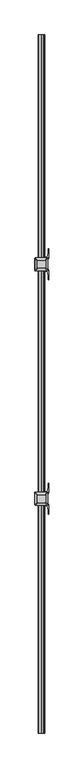
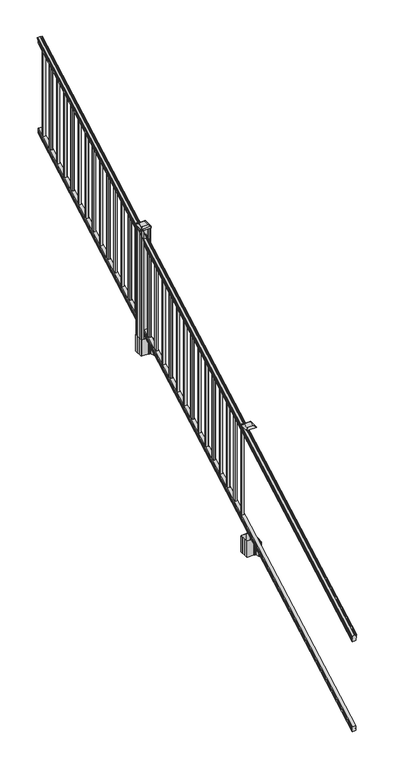
"""IFC4 building model written with IfcOpenShell, lengths in millimetres: railing geometry."""

from ifc_helpers import new_model, si_unit, point, frame, frame_2d, origin, place, context, project, spatial, polyline, circle_curve, ellipse_curve, trimmed, segment, composite_curve, outline, extrude, faceted_brep, source, transform, mapped, element, save
from ifc_brep_helpers import plane_surface, cylinder_surface, revolved_surface, extruded_surface, advanced_brep


def railing_591464fb(model_context):
    return source(origin(), model_context, "Body", "SolidModel", [
        advanced_brep(
        [(6092.4754996, -7669.8194681, 1111.1933), (6095.0493284, -7669.8194681, 1111.1933), (6095.0493284, -7669.8194681, 1099.0017677), (6094.0333284, -7669.8194681, 1097.8395054), (6094.0333284, -7669.8194681, 1083.7333333), (6125.7833284, -7669.8194681, 1083.7333333), (6125.7833284, -7669.8194681, 1098.0200397), (6124.7673284, -7669.8194681, 1099.182302), (6124.7673284, -7669.8194681, 1111.1933), (6127.3411571, -7669.8194681, 1111.1933), (6127.3411571, -7669.8194681, 1113.3531886), (6128.4713434, -7669.8194681, 1115.140347), (6128.4713434, -7669.8194681, 1123.3974153), (6127.822087, -7669.8194681, 1126.1811654), (6130.322087, -7669.8194681, 1131.1346527), (6131.7314295, -7669.8194681, 1133.0560334), (6132.1333285, -7669.8194681, 1134.3198045), (6132.1333284, -7669.8194681, 1135.8530343), (6130.5798811, -7669.8194681, 1137.6301141), (6109.9083284, -7669.8194681, 1137.6301141), (6089.2367756, -7669.8194681, 1137.6301141), (6087.6833284, -7669.8194681, 1135.8530343), (6087.6833284, -7669.8194681, 1134.3198045), (6088.0852273, -7669.8194681, 1133.0560334), (6089.4945697, -7669.8194681, 1131.1346527), (6091.9945697, -7669.8194681, 1126.1811654), (6091.3453133, -7669.8194681, 1123.3974153), (6091.3453133, -7669.8194681, 1115.140347), (6092.4754996, -7669.8194681, 1113.3531886), (6092.4754996, -2793.0194681, 3820.5266334), (6092.4754996, -2793.0194681, 3822.6865219), (6091.3453133, -2793.0194681, 3824.4736803), (6091.3453133, -2793.0194681, 3832.7307486), (6091.9945697, -2793.0194681, 3835.5144987), (6089.4945697, -2793.0194681, 3840.4679861), (6088.0852273, -2793.0194681, 3842.3893668), (6087.6833283, -2793.0194681, 3843.6531378), (6087.6833284, -2793.0194681, 3845.1863676), (6089.2367756, -2793.0194681, 3846.9634474), (6109.9083284, -2793.0194681, 3846.9634474), (6130.5798811, -2793.0194681, 3846.9634474), (6132.1333284, -2793.0194681, 3845.1863676), (6132.1333284, -2793.0194681, 3843.6531378), (6131.7314295, -2793.0194681, 3842.3893668), (6130.322087, -2793.0194681, 3840.4679861), (6127.822087, -2793.0194681, 3835.5144987), (6128.4713434, -2793.0194681, 3832.7307486), (6128.4713434, -2793.0194681, 3824.4736803), (6127.3411571, -2793.0194681, 3822.6865219), (6127.3411571, -2793.0194681, 3820.5266334), (6124.7673284, -2793.0194681, 3820.5266334), (6124.7673284, -2793.0194681, 3808.5156353), (6125.7833284, -2793.0194681, 3807.3533731), (6125.7833284, -2793.0194681, 3793.0666667), (6094.0333284, -2793.0194681, 3793.0666667), (6094.0333284, -2793.0194681, 3807.1728388), (6095.0493284, -2793.0194681, 3808.335101), (6095.0493284, -2793.0194681, 3820.5266334)],
        [
            (0, 1, ellipse_curve(frame((6093.762414, -7669.8194681, 1111.1933), z_axis=(0.0, -1.0, 0.0), x_axis=(0.0, 0.0, -1.0)), 1.4721772, 1.2869144)),
            (1, 2),
            (2, 3),
            (3, 4),
            (4, 5),
            (5, 6),
            (6, 7),
            (7, 8),
            (8, 9, ellipse_curve(frame((6126.0542427, -7669.8194681, 1111.1933), z_axis=(0.0, -1.0, 0.0), x_axis=(0.0, 0.0, -1.0)), 1.4721772, 1.2869144)),
            (9, 10),
            (10, 11, ellipse_curve(frame((6121.0264038, -7669.8194681, 1119.9403628), z_axis=(0.0, -1.0, 0.0), x_axis=(0.0, 0.0, -1.0)), 9.7762168, 8.545951)),
            (11, 12, ellipse_curve(frame((6121.4634668, -7669.8194681, 1119.2688811), z_axis=(0.0, -1.0, 0.0), x_axis=(0.0, 0.0, -1.0)), 9.0173521, 7.882584)),
            (12, 13, ellipse_curve(frame((6131.9767909, -7669.8194681, 1125.9582895), z_axis=(0.0, 1.0, 0.0), x_axis=(0.0, 0.0, 1.0)), 4.7580334, 4.1592695)),
            (13, 14, ellipse_curve(frame((6133.2640975, -7669.8194681, 1125.8892329), z_axis=(0.0, 1.0, 0.0), x_axis=(0.0, 0.0, 1.0)), 6.2322774, 5.4479907)),
            (14, 15, ellipse_curve(frame((6132.030939, -7669.8194681, 1131.1314345), z_axis=(0.0, 1.0, 0.0), x_axis=(0.0, 0.0, 1.0)), 1.9548591, 1.7088543)),
            (15, 16, ellipse_curve(frame((6130.4140389, -7669.8194681, 1134.3198045), z_axis=(0.0, -1.0, 0.0), x_axis=(0.0, 0.0, -1.0)), 1.9667965, 1.7192895)),
            (16, 17),
            (17, 18, ellipse_curve(frame((6130.5798811, -7669.8194681, 1135.8530343), z_axis=(0.0, -1.0, 0.0), x_axis=(0.0, 0.0, -1.0)), 1.7770798, 1.5534472)),
            (18, 19),
            (19, 20),
            (20, 21, ellipse_curve(frame((6089.2367756, -7669.8194681, 1135.8530343), z_axis=(0.0, -1.0, 0.0), x_axis=(0.0, 0.0, -1.0)), 1.7770798, 1.5534472)),
            (21, 22),
            (22, 23, ellipse_curve(frame((6089.4026178, -7669.8194681, 1134.3198045), z_axis=(0.0, -1.0, 0.0), x_axis=(0.0, 0.0, -1.0)), 1.9667965, 1.7192895)),
            (23, 24, ellipse_curve(frame((6087.7857177, -7669.8194681, 1131.1314345), z_axis=(0.0, 1.0, 0.0), x_axis=(0.0, 0.0, 1.0)), 1.9548591, 1.7088543)),
            (24, 25, ellipse_curve(frame((6086.5525593, -7669.8194681, 1125.8892329), z_axis=(0.0, 1.0, 0.0), x_axis=(0.0, 0.0, 1.0)), 6.2322774, 5.4479907)),
            (25, 26, ellipse_curve(frame((6087.8398658, -7669.8194681, 1125.9582895), z_axis=(0.0, 1.0, 0.0), x_axis=(0.0, 0.0, 1.0)), 4.7580334, 4.1592695)),
            (26, 27, ellipse_curve(frame((6098.35319, -7669.8194681, 1119.2688811), z_axis=(0.0, -1.0, 0.0), x_axis=(0.0, 0.0, -1.0)), 9.0173521, 7.882584)),
            (27, 28, ellipse_curve(frame((6098.7902529, -7669.8194681, 1119.9403628), z_axis=(0.0, -1.0, 0.0), x_axis=(0.0, 0.0, -1.0)), 9.7762168, 8.545951)),
            (28, 0),
            (29, 30),
            (30, 31, ellipse_curve(frame((6098.7902529, -2793.0194681, 3829.2736961), z_axis=(0.0, 1.0, 0.0), x_axis=(0.0, 0.0, -1.0)), 9.7762168, 8.545951)),
            (31, 32, ellipse_curve(frame((6098.35319, -2793.0194681, 3828.6022145), z_axis=(0.0, 1.0, 0.0), x_axis=(0.0, 0.0, -1.0)), 9.0173521, 7.882584)),
            (32, 33, ellipse_curve(frame((6087.8398658, -2793.0194681, 3835.2916228), z_axis=(0.0, -1.0, 0.0), x_axis=(0.0, 0.0, 1.0)), 4.7580334, 4.1592695)),
            (33, 34, ellipse_curve(frame((6086.5525593, -2793.0194681, 3835.2225663), z_axis=(0.0, -1.0, 0.0), x_axis=(0.0, 0.0, 1.0)), 6.2322774, 5.4479907)),
            (34, 35, ellipse_curve(frame((6087.7857177, -2793.0194681, 3840.4647678), z_axis=(0.0, -1.0, 0.0), x_axis=(0.0, 0.0, 1.0)), 1.9548591, 1.7088543)),
            (35, 36, ellipse_curve(frame((6089.4026178, -2793.0194681, 3843.6531378), z_axis=(0.0, 1.0, 0.0), x_axis=(0.0, 0.0, -1.0)), 1.9667965, 1.7192895)),
            (36, 37),
            (37, 38, ellipse_curve(frame((6089.2367756, -2793.0194681, 3845.1863676), z_axis=(0.0, 1.0, 0.0), x_axis=(0.0, 0.0, -1.0)), 1.7770798, 1.5534472)),
            (38, 39),
            (39, 40),
            (40, 41, ellipse_curve(frame((6130.5798811, -2793.0194681, 3845.1863676), z_axis=(0.0, 1.0, 0.0), x_axis=(0.0, 0.0, -1.0)), 1.7770798, 1.5534472)),
            (41, 42),
            (42, 43, ellipse_curve(frame((6130.4140389, -2793.0194681, 3843.6531378), z_axis=(0.0, 1.0, 0.0), x_axis=(0.0, 0.0, -1.0)), 1.9667965, 1.7192895)),
            (43, 44, ellipse_curve(frame((6132.030939, -2793.0194681, 3840.4647678), z_axis=(0.0, -1.0, 0.0), x_axis=(0.0, 0.0, 1.0)), 1.9548591, 1.7088543)),
            (44, 45, ellipse_curve(frame((6133.2640975, -2793.0194681, 3835.2225663), z_axis=(0.0, -1.0, 0.0), x_axis=(0.0, 0.0, 1.0)), 6.2322774, 5.4479907)),
            (45, 46, ellipse_curve(frame((6131.9767909, -2793.0194681, 3835.2916228), z_axis=(0.0, -1.0, 0.0), x_axis=(0.0, 0.0, 1.0)), 4.7580334, 4.1592695)),
            (46, 47, ellipse_curve(frame((6121.4634668, -2793.0194681, 3828.6022145), z_axis=(0.0, 1.0, 0.0), x_axis=(0.0, 0.0, -1.0)), 9.0173521, 7.882584)),
            (47, 48, ellipse_curve(frame((6121.0264038, -2793.0194681, 3829.2736961), z_axis=(0.0, 1.0, 0.0), x_axis=(0.0, 0.0, -1.0)), 9.7762168, 8.545951)),
            (48, 49),
            (49, 50, ellipse_curve(frame((6126.0542427, -2793.0194681, 3820.5266334), z_axis=(0.0, 1.0, 0.0), x_axis=(0.0, 0.0, -1.0)), 1.4721772, 1.2869144)),
            (50, 51),
            (51, 52),
            (52, 53),
            (53, 54),
            (54, 55),
            (55, 56),
            (56, 57),
            (57, 29, ellipse_curve(frame((6093.762414, -2793.0194681, 3820.5266334), z_axis=(0.0, 1.0, 0.0), x_axis=(0.0, 0.0, -1.0)), 1.4721772, 1.2869144)),
            (28, 30),
            (29, 0),
            (27, 31),
            (26, 32),
            (25, 33),
            (24, 34),
            (23, 35),
            (22, 36),
            (21, 37),
            (20, 38),
            (19, 39),
            (18, 40),
            (17, 41),
            (16, 42),
            (15, 43),
            (14, 44),
            (13, 45),
            (12, 46),
            (11, 47),
            (10, 48),
            (9, 49),
            (8, 50),
            (7, 51),
            (6, 52),
            (5, 53),
            (4, 54),
            (3, 55),
            (2, 56),
            (1, 57),
        ],
        [
            plane_surface(frame((6109.9083284, -7669.8194681, 1083.7333333), z_axis=(0.0, -1.0, 0.0), x_axis=(0.0, 0.0, 1.0))),
            plane_surface(frame((6109.9083284, -2793.0194681, 3793.0666667), z_axis=(0.0, 1.0, 0.0), x_axis=(0.0, 0.0, 1.0))),
            plane_surface(frame((6092.4754996, -7669.8194681, 1113.3531886), z_axis=(-1.0000000000000002, 0.0, 0.0), x_axis=(0.0, 0.8741572761215701, 0.485642931178574))),
            cylinder_surface(frame((6098.7902529, -7685.1903768, 1111.4009691), z_axis=(0.0, -0.8741572761215701, -0.485642931178574), x_axis=(1.0, 0.0, 0.0)), 8.545951),
            cylinder_surface(frame((6098.35319, -7684.9053139, 1110.8878557), z_axis=(0.0, -0.8741572761215701, -0.485642931178574), x_axis=(1.0, 0.0, 0.0)), 7.882584),
            revolved_surface(polyline([(6091.9991353, -2790.9995482554787, 3836.4138004798638), (6091.9991353, -7671.839387920754, 1124.8361117773575)]), (6087.8398658, -7687.745157, 1115.9995734), (0.0, 0.8741572761215701, 0.485642931178574)),
            revolved_surface(polyline([(6092.000550000001, -2790.373689958308, 3836.692443044958), (6092.000550000001, -7672.46524626981, 1124.4193562056594)]), (6086.5525593, -7687.7158406, 1115.9468038), (0.0, 0.8741572761215701, 0.485642931178574)),
            revolved_surface(polyline([(6089.494572, -2792.1895750762333, 3840.925819457222), (6089.494572, -7670.649361090565, 1130.6703827830174)]), (6087.7857177, -7689.9413035, 1119.952637), (0.0, 0.8741572761215701, 0.485642931178574)),
            cylinder_surface(frame((6089.4026178, -7691.2948568, 1122.389033), z_axis=(0.0, -0.8741572761215701, -0.485642931178574), x_axis=(1.0, 0.0, 0.0)), 1.7192895),
            plane_surface(frame((6087.6833284, -7669.8194681, 1135.8530343), z_axis=(-1.0000000000000002, 0.0, 0.0), x_axis=(0.0, 0.8741572761215701, 0.485642931178574))),
            cylinder_surface(frame((6089.2367756, -7691.9457562, 1123.560652), z_axis=(0.0, -0.8741572761215701, -0.485642931178574), x_axis=(1.0, 0.0, 0.0)), 1.5534472),
            plane_surface(frame((6109.9083284, -7669.8194681, 1137.6301141), z_axis=(0.0, -0.485642931178574, 0.8741572761215701), x_axis=(0.0, 0.8741572761215701, 0.485642931178574))),
            plane_surface(frame((6130.5798811, -7669.8194681, 1137.6301141), z_axis=(0.0, -0.485642931178574, 0.8741572761215701), x_axis=(0.0, 0.8741572761215701, 0.485642931178574))),
            cylinder_surface(frame((6130.5798811, -7691.9457562, 1123.560652), z_axis=(0.0, -0.8741572761215701, -0.485642931178574), x_axis=(-1.0, 0.0, 0.0)), 1.5534472),
            plane_surface(frame((6132.1333284, -7669.8194681, 1134.3198045), z_axis=(1.0, 0.0, 0.0), x_axis=(0.0, 0.8741572761215701, 0.48564293117857393))),
            cylinder_surface(frame((6130.4140389, -7691.2948568, 1122.389033), z_axis=(0.0, -0.8741572761215701, -0.485642931178574), x_axis=(-1.0, 0.0, 0.0)), 1.7192895),
            revolved_surface(polyline([(6130.3220847, -2792.1895750762333, 3840.925819457222), (6130.3220847, -7670.649361090565, 1130.6703827830174)]), (6132.030939, -7689.9413035, 1119.952637), (0.0, 0.8741572761215701, 0.485642931178574)),
            revolved_surface(polyline([(6127.8161068, -2790.373689958308, 3836.692443044958), (6127.8161068, -7672.46524626981, 1124.4193562056594)]), (6133.2640975, -7687.7158406, 1115.9468038), (0.0, 0.8741572761215701, 0.485642931178574)),
            revolved_surface(polyline([(6127.8175214, -2790.9995482554787, 3836.4138004798638), (6127.8175214, -7671.839387920754, 1124.8361117773575)]), (6131.9767909, -7687.745157, 1115.9995734), (0.0, 0.8741572761215701, 0.485642931178574)),
            cylinder_surface(frame((6121.4634668, -7684.9053139, 1110.8878557), z_axis=(0.0, -0.8741572761215701, -0.485642931178574), x_axis=(-1.0, 0.0, 0.0)), 7.882584),
            cylinder_surface(frame((6121.0264038, -7685.1903768, 1111.4009691), z_axis=(0.0, -0.8741572761215701, -0.485642931178574), x_axis=(-1.0, 0.0, 0.0)), 8.545951),
            plane_surface(frame((6127.3411571, -7669.8194681, 1111.1933), z_axis=(1.0, 0.0, 0.0), x_axis=(0.0, 0.8741572761215701, 0.48564293117857393))),
            cylinder_surface(frame((6126.0542427, -7681.4770011, 1104.7168928), z_axis=(0.0, -0.8741572761215701, -0.485642931178574), x_axis=(-1.0, 0.0, 0.0)), 1.2869144),
            plane_surface(frame((6124.7673284, -7669.8194681, 1099.182302), z_axis=(1.0, 0.0, 0.0), x_axis=(0.0, 0.8741572761215701, 0.48564293117857393))),
            plane_surface(frame((6125.7833284, -7669.8194681, 1098.0200397), z_axis=(0.7071067811865428, -0.34340140987168466, 0.6181225377691274), x_axis=(0.0, 0.8741572761215701, 0.48564293117857393))),
            plane_surface(frame((6125.7833284, -7669.8194681, 1083.7333333), z_axis=(1.0000000000000002, 0.0, 0.0), x_axis=(0.0, 0.8741572761215701, 0.48564293117857404))),
            plane_surface(frame((6094.0333284, -7669.8194681, 1083.7333333), z_axis=(0.0, 0.485642931178574, -0.8741572761215701), x_axis=(0.0, 0.8741572761215701, 0.485642931178574))),
            plane_surface(frame((6094.0333284, -7669.8194681, 1097.8395054), z_axis=(-1.0000000000000002, 0.0, 0.0), x_axis=(0.0, 0.8741572761215701, 0.485642931178574))),
            plane_surface(frame((6095.0493284, -7669.8194681, 1099.0017677), z_axis=(-0.7071067811865401, -0.3434014098716842, 0.6181225377691304), x_axis=(0.0, 0.8741572761215701, 0.485642931178574))),
            plane_surface(frame((6095.0493284, -7669.8194681, 1111.1933), z_axis=(-1.0, 0.0, 0.0), x_axis=(0.0, 0.8741572761215701, 0.48564293117857393))),
            cylinder_surface(frame((6093.762414, -7681.4770011, 1104.7168928), z_axis=(0.0, -0.8741572761215701, -0.485642931178574), x_axis=(1.0, 0.0, 0.0)), 1.2869144),
        ],
        [
            (0, [[1, 2, 3, 4, 5, 6, 7, 8, 9, 10, 11, 12, 13, 14, 15, 16, 17, 18, 19, 20, 21, 22, 23, 24, 25, 26, 27, 28, 29]]),
            (1, [[30, 31, 32, 33, 34, 35, 36, 37, 38, 39, 40, 41, 42, 43, 44, 45, 46, 47, 48, 49, 50, 51, 52, 53, 54, 55, 56, 57, 58]]),
            (2, [[-29, 59, -30, 60]]),
            (3, [[-28, 61, -31, -59]]),
            (4, [[-27, 62, -32, -61]]),
            (5, [[-26, 63, -33, -62]]),
            (6, [[-25, 64, -34, -63]]),
            (7, [[-24, 65, -35, -64]]),
            (8, [[-23, 66, -36, -65]]),
            (9, [[-22, 67, -37, -66]]),
            (10, [[-21, 68, -38, -67]]),
            (11, [[-20, 69, -39, -68]]),
            (12, [[-19, 70, -40, -69]]),
            (13, [[-18, 71, -41, -70]]),
            (14, [[-17, 72, -42, -71]]),
            (15, [[-16, 73, -43, -72]]),
            (16, [[-15, 74, -44, -73]]),
            (17, [[-14, 75, -45, -74]]),
            (18, [[-13, 76, -46, -75]]),
            (19, [[-12, 77, -47, -76]]),
            (20, [[-11, 78, -48, -77]]),
            (21, [[-10, 79, -49, -78]]),
            (22, [[-9, 80, -50, -79]]),
            (23, [[-8, 81, -51, -80]]),
            (24, [[-7, 82, -52, -81]]),
            (25, [[-6, 83, -53, -82]]),
            (26, [[-5, 84, -54, -83]]),
            (27, [[-4, 85, -55, -84]]),
            (28, [[-3, 86, -56, -85]]),
            (29, [[-2, 87, -57, -86]]),
            (30, [[-1, -60, -58, -87]]),
        ],
    ),
        faceted_brep([(6093.9958415, -7669.8194681, 247.1948195), (6093.9958415, -7669.8194681, 232.8333333), (6125.7458415, -7669.8194681, 232.8333333), (6125.7458415, -7669.8194681, 247.1757762), (6124.7298415, -7669.8194681, 248.7181503), (6124.7298415, -7669.8194681, 260.5143074), (6125.7458415, -7669.8194681, 262.0566814), (6125.7458415, -7669.8194681, 276.4134523), (6093.9958415, -7669.8194681, 276.4134523), (6093.9958415, -7669.8194681, 262.0757247), (6095.0118415, -7669.8194681, 260.5333506), (6095.0118415, -7669.8194681, 248.6824473), (6093.9958415, -2793.0194681, 2956.5281528), (6095.0118415, -2793.0194681, 2958.0157807), (6095.0118415, -2793.0194681, 2969.8666839), (6093.9958415, -2793.0194681, 2971.409058), (6093.9958415, -2793.0194681, 2985.7467856), (6125.7458415, -2793.0194681, 2985.7467856), (6125.7458415, -2793.0194681, 2971.3900148), (6124.7298415, -2793.0194681, 2969.8476407), (6124.7298415, -2793.0194681, 2958.0514837), (6125.7458415, -2793.0194681, 2956.5091096), (6125.7458415, -2793.0194681, 2942.1666667), (6093.9958415, -2793.0194681, 2942.1666667)], [[[0, 1, 2, 3, 4, 5, 6, 7, 8, 9, 10, 11]], [[12, 13, 14, 15, 16, 17, 18, 19, 20, 21, 22, 23]], [[0, 11, 13, 12]], [[11, 10, 14, 13]], [[10, 9, 15, 14]], [[9, 8, 16, 15]], [[8, 7, 17, 16]], [[7, 6, 18, 17]], [[6, 5, 19, 18]], [[5, 4, 20, 19]], [[4, 3, 21, 20]], [[3, 2, 22, 21]], [[2, 1, 23, 22]], [[1, 0, 12, 23]]]),
        extrude(outline(polyline([(6100.3833284, -2862.9964681), (6100.3833284, -2843.9464681), (6119.4333284, -2843.9464681), (6119.4333284, -2862.9964681), (6100.3833284, -2862.9964681)]), holes=[polyline([(6100.7802034, -2862.5995931), (6119.0364534, -2862.5995931), (6119.0364534, -2844.3433431), (6100.7802034, -2844.3433431), (6100.7802034, -2862.5995931)])]), frame((0.0, 0.0, 2946.6781003), z_axis=(0.0, 0.0, 1.0), x_axis=(1.0, 0.0, 0.0)), (0.0, 0.0, 1.0), 812.8041219),
        extrude(outline(polyline([(6100.3833284, -2974.2484681), (6100.3833284, -2955.1984681), (6119.4333284, -2955.1984681), (6119.4333284, -2974.2484681), (6100.3833284, -2974.2484681)]), holes=[polyline([(6100.7802034, -2973.8515931), (6119.0364534, -2973.8515931), (6119.0364534, -2955.5953431), (6100.7802034, -2955.5953431), (6100.7802034, -2973.8515931)])]), frame((0.0, 0.0, 2884.8714336), z_axis=(0.0, 0.0, 1.0), x_axis=(1.0, 0.0, 0.0)), (0.0, 0.0, 1.0), 812.8041219),
        extrude(outline(polyline([(6100.3833284, -3085.5004681), (6100.3833284, -3066.4504681), (6119.4333284, -3066.4504681), (6119.4333284, -3085.5004681), (6100.3833284, -3085.5004681)]), holes=[polyline([(6100.7802034, -3085.1035931), (6119.0364534, -3085.1035931), (6119.0364534, -3066.8473431), (6100.7802034, -3066.8473431), (6100.7802034, -3085.1035931)])]), frame((0.0, 0.0, 2823.064767), z_axis=(0.0, 0.0, 1.0), x_axis=(1.0, 0.0, 0.0)), (0.0, 0.0, 1.0), 812.8041219),
        extrude(outline(polyline([(6100.3833284, -3196.7524681), (6100.3833284, -3177.7024681), (6119.4333284, -3177.7024681), (6119.4333284, -3196.7524681), (6100.3833284, -3196.7524681)]), holes=[polyline([(6100.7802034, -3196.3555931), (6119.0364534, -3196.3555931), (6119.0364534, -3178.0993431), (6100.7802034, -3178.0993431), (6100.7802034, -3196.3555931)])]), frame((0.0, 0.0, 2761.2581003), z_axis=(0.0, 0.0, 1.0), x_axis=(1.0, 0.0, 0.0)), (0.0, 0.0, 1.0), 812.8041219),
        extrude(outline(polyline([(6100.3833284, -3308.0044681), (6100.3833284, -3288.9544681), (6119.4333284, -3288.9544681), (6119.4333284, -3308.0044681), (6100.3833284, -3308.0044681)]), holes=[polyline([(6100.7802034, -3307.6075931), (6119.0364534, -3307.6075931), (6119.0364534, -3289.3513431), (6100.7802034, -3289.3513431), (6100.7802034, -3307.6075931)])]), frame((0.0, 0.0, 2699.4514336), z_axis=(0.0, 0.0, 1.0), x_axis=(1.0, 0.0, 0.0)), (0.0, 0.0, 1.0), 812.8041219),
        extrude(outline(polyline([(6100.3833284, -3419.2564681), (6100.3833284, -3400.2064681), (6119.4333284, -3400.2064681), (6119.4333284, -3419.2564681), (6100.3833284, -3419.2564681)]), holes=[polyline([(6100.7802034, -3418.8595931), (6119.0364534, -3418.8595931), (6119.0364534, -3400.6033431), (6100.7802034, -3400.6033431), (6100.7802034, -3418.8595931)])]), frame((0.0, 0.0, 2637.644767), z_axis=(0.0, 0.0, 1.0), x_axis=(1.0, 0.0, 0.0)), (0.0, 0.0, 1.0), 812.8041219),
        extrude(outline(polyline([(6100.3833284, -3530.5084681), (6100.3833284, -3511.4584681), (6119.4333284, -3511.4584681), (6119.4333284, -3530.5084681), (6100.3833284, -3530.5084681)]), holes=[polyline([(6100.7802034, -3530.1115931), (6119.0364534, -3530.1115931), (6119.0364534, -3511.8553431), (6100.7802034, -3511.8553431), (6100.7802034, -3530.1115931)])]), frame((0.0, 0.0, 2575.8381003), z_axis=(0.0, 0.0, 1.0), x_axis=(1.0, 0.0, 0.0)), (0.0, 0.0, 1.0), 812.8041219),
        extrude(outline(polyline([(6100.3833284, -3641.7604681), (6100.3833284, -3622.7104681), (6119.4333284, -3622.7104681), (6119.4333284, -3641.7604681), (6100.3833284, -3641.7604681)]), holes=[polyline([(6100.7802034, -3641.3635931), (6119.0364534, -3641.3635931), (6119.0364534, -3623.1073431), (6100.7802034, -3623.1073431), (6100.7802034, -3641.3635931)])]), frame((0.0, 0.0, 2514.0314336), z_axis=(0.0, 0.0, 1.0), x_axis=(1.0, 0.0, 0.0)), (0.0, 0.0, 1.0), 812.8041219),
        extrude(outline(polyline([(6100.3833284, -3753.0124681), (6100.3833284, -3733.9624681), (6119.4333284, -3733.9624681), (6119.4333284, -3753.0124681), (6100.3833284, -3753.0124681)]), holes=[polyline([(6100.7802034, -3752.6155931), (6119.0364534, -3752.6155931), (6119.0364534, -3734.3593431), (6100.7802034, -3734.3593431), (6100.7802034, -3752.6155931)])]), frame((0.0, 0.0, 2452.224767), z_axis=(0.0, 0.0, 1.0), x_axis=(1.0, 0.0, 0.0)), (0.0, 0.0, 1.0), 812.8041219),
        extrude(outline(polyline([(6100.3833284, -3864.2644681), (6100.3833284, -3845.2144681), (6119.4333284, -3845.2144681), (6119.4333284, -3864.2644681), (6100.3833284, -3864.2644681)]), holes=[polyline([(6100.7802034, -3863.8675931), (6119.0364534, -3863.8675931), (6119.0364534, -3845.6113431), (6100.7802034, -3845.6113431), (6100.7802034, -3863.8675931)])]), frame((0.0, 0.0, 2390.4181003), z_axis=(0.0, 0.0, 1.0), x_axis=(1.0, 0.0, 0.0)), (0.0, 0.0, 1.0), 812.8041219),
        extrude(outline(polyline([(6100.3833284, -3975.5164681), (6100.3833284, -3956.4664681), (6119.4333284, -3956.4664681), (6119.4333284, -3975.5164681), (6100.3833284, -3975.5164681)]), holes=[polyline([(6100.7802034, -3975.1195931), (6119.0364534, -3975.1195931), (6119.0364534, -3956.8633431), (6100.7802034, -3956.8633431), (6100.7802034, -3975.1195931)])]), frame((0.0, 0.0, 2328.6114336), z_axis=(0.0, 0.0, 1.0), x_axis=(1.0, 0.0, 0.0)), (0.0, 0.0, 1.0), 812.8041219),
        extrude(outline(polyline([(6100.3833284, -4086.7684681), (6100.3833284, -4067.7184681), (6119.4333284, -4067.7184681), (6119.4333284, -4086.7684681), (6100.3833284, -4086.7684681)]), holes=[polyline([(6100.7802034, -4086.3715931), (6119.0364534, -4086.3715931), (6119.0364534, -4068.1153431), (6100.7802034, -4068.1153431), (6100.7802034, -4086.3715931)])]), frame((0.0, 0.0, 2266.804767), z_axis=(0.0, 0.0, 1.0), x_axis=(1.0, 0.0, 0.0)), (0.0, 0.0, 1.0), 812.8041219),
        extrude(outline(polyline([(6100.3833284, -4198.0204681), (6100.3833284, -4178.9704681), (6119.4333284, -4178.9704681), (6119.4333284, -4198.0204681), (6100.3833284, -4198.0204681)]), holes=[polyline([(6100.7802034, -4197.6235931), (6119.0364534, -4197.6235931), (6119.0364534, -4179.3673431), (6100.7802034, -4179.3673431), (6100.7802034, -4197.6235931)])]), frame((0.0, 0.0, 2204.9981003), z_axis=(0.0, 0.0, 1.0), x_axis=(1.0, 0.0, 0.0)), (0.0, 0.0, 1.0), 812.8041219),
        extrude(outline(polyline([(6100.3833284, -4309.2724681), (6100.3833284, -4290.2224681), (6119.4333284, -4290.2224681), (6119.4333284, -4309.2724681), (6100.3833284, -4309.2724681)]), holes=[polyline([(6100.7802034, -4308.8755931), (6119.0364534, -4308.8755931), (6119.0364534, -4290.6193431), (6100.7802034, -4290.6193431), (6100.7802034, -4308.8755931)])]), frame((0.0, 0.0, 2143.1914336), z_axis=(0.0, 0.0, 1.0), x_axis=(1.0, 0.0, 0.0)), (0.0, 0.0, 1.0), 812.8041219),
        extrude(outline(composite_curve([segment(polyline([(6067.1728284, -4412.637563), (6067.1728284, -4377.8653732), (6065.5853284, -4377.1033732), (6065.5853284, -4354.3014452), (6068.9583054, -4350.9284681), (6130.4179763, -4350.9284681), (6130.4179763, -4350.0077181), (6135.7355201, -4350.0077181), (6135.7355201, -4348.5534634), (6140.8200498, -4348.5534634), (6140.8200498, -4347.2694396), (6142.4873221, -4347.2694396)]), True, "CONTINUOUS"), segment(trimmed(circle_curve(frame_2d((6142.4873221, -4340.2099797)), 7.0594599), [point((6142.4873221, -4347.2694396))], [point((6149.2545849, -4342.2199864))], True, "CARTESIAN"), True, "CONTINUOUS"), segment(polyline([(6149.2545849, -4342.2199864), (6157.1287792, -4315.7092573)]), True, "CONTINUOUS"), segment(trimmed(circle_curve(frame_2d((6102.3442659, -4299.4372076)), 57.15), [point((6157.1287792, -4315.7092573))], [point((6159.4942659, -4299.4372076))], True, "CARTESIAN"), True, "CONTINUOUS"), segment(polyline([(6159.4942659, -4299.4372076), (6159.4942659, -4287.4284681), (6162.4942659, -4287.4284681), (6162.4942659, -4352.5159681), (6154.2313284, -4363.8542594), (6154.2313284, -4377.1033732), (6152.6438284, -4377.8653732), (6152.6438284, -4412.637563), (6154.2313284, -4413.399563), (6154.2313284, -4426.6486768), (6162.4942659, -4437.9869681), (6162.4942659, -4503.0744681), (6159.4942659, -4503.0744681), (6159.4942659, -4491.0657285)]), True, "CONTINUOUS"), segment(trimmed(circle_curve(frame_2d((6102.3442659, -4491.0657285)), 57.15), [point((6159.4942659, -4491.0657285))], [point((6157.1287792, -4474.7936789))], True, "CARTESIAN"), True, "CONTINUOUS"), segment(polyline([(6157.1287792, -4474.7936789), (6149.2545849, -4448.2829498)]), True, "CONTINUOUS"), segment(trimmed(circle_curve(frame_2d((6142.4873221, -4450.2929565)), 7.0594599), [point((6149.2545849, -4448.2829498))], [point((6142.4873221, -4443.2334966))], True, "CARTESIAN"), True, "CONTINUOUS"), segment(polyline([(6142.4873221, -4443.2334966), (6140.8200498, -4443.2334966), (6140.8200498, -4441.9494728), (6135.7355201, -4441.9494728), (6135.7355201, -4440.4952181), (6130.4179763, -4440.4952181), (6130.4179763, -4439.5744681), (6068.9583054, -4439.5744681), (6065.5853284, -4436.201491), (6065.5853284, -4413.399563), (6067.1728284, -4412.637563)]), True, "CONTINUOUS")], self_intersect=False), holes=[polyline([(6151.1833284, -4355.5639681), (6149.5958284, -4353.9764681), (6112.6715458, -4353.9764681), (6070.2208284, -4353.9764681), (6068.6333284, -4355.5639681), (6068.6333284, -4434.9389681), (6070.2208284, -4436.5264681), (6112.6715458, -4436.5264681), (6149.5958284, -4436.5264681), (6151.1833284, -4434.9389681), (6151.1833284, -4355.5639681)])]), frame((0.0, 0.0, 1836.1377778), z_axis=(0.0, 0.0, 1.0), x_axis=(1.0, 0.0, 0.0)), (0.0, 0.0, 1.0), 152.4),
        advanced_brep(
        [(6135.7052034, -4424.2233431, 3048.4770408), (6138.8802034, -4421.0483431, 3048.4770408), (6138.8802034, -4369.4545931, 3048.4770408), (6135.7052034, -4366.2795931, 3048.4770408), (6084.1114534, -4366.2795931, 3048.4770408), (6080.9364534, -4369.4545931, 3048.4770408), (6080.9364534, -4421.0483431, 3048.4770408), (6084.1114534, -4424.2233431, 3048.4770408), (6151.9770784, -4440.4952181, 3037.1740408), (6067.8395784, -4440.4952181, 3037.1740408), (6064.6645784, -4437.3202181, 3037.1740408), (6064.6645784, -4353.1827181, 3037.1740408), (6067.8395784, -4350.0077181, 3037.1740408), (6151.9770784, -4350.0077181, 3037.1740408), (6155.1520784, -4353.1827181, 3037.1740408), (6155.1520784, -4437.3202181, 3037.1740408)],
        [
            (0, 1, circle_curve(frame((6135.7052034, -4421.0483431, 3048.4770408), z_axis=(0.0, 0.0, 1.0), x_axis=(0.0, 1.0, 0.0)), 3.175)),
            (1, 2),
            (2, 3, circle_curve(frame((6135.7052034, -4369.4545931, 3048.4770408), z_axis=(0.0, 0.0, 1.0), x_axis=(0.0, 1.0, 0.0)), 3.175)),
            (3, 4),
            (4, 5, circle_curve(frame((6084.1114534, -4369.4545931, 3048.4770408), z_axis=(0.0, 0.0, 1.0), x_axis=(0.0, 1.0, 0.0)), 3.175)),
            (5, 6),
            (6, 7, circle_curve(frame((6084.1114534, -4421.0483431, 3048.4770408), z_axis=(0.0, 0.0, 1.0), x_axis=(0.0, 1.0, 0.0)), 3.175)),
            (7, 0),
            (8, 9),
            (9, 10, circle_curve(frame((6067.8395784, -4437.3202181, 3037.1740408), z_axis=(0.0, 0.0, -1.0), x_axis=(0.0, 1.0, 0.0)), 3.175)),
            (10, 11),
            (11, 12, circle_curve(frame((6067.8395784, -4353.1827181, 3037.1740408), z_axis=(0.0, 0.0, -1.0), x_axis=(0.0, 1.0, 0.0)), 3.175)),
            (12, 13),
            (13, 14, circle_curve(frame((6151.9770784, -4353.1827181, 3037.1740408), z_axis=(0.0, 0.0, -1.0), x_axis=(0.0, 1.0, 0.0)), 3.175)),
            (14, 15),
            (15, 8, circle_curve(frame((6151.9770784, -4437.3202181, 3037.1740408), z_axis=(0.0, 0.0, -1.0), x_axis=(0.0, 1.0, 0.0)), 3.175)),
            (15, 1),
            (0, 8),
            (14, 2),
            (13, 3),
            (12, 4),
            (11, 5),
            (10, 6),
            (9, 7),
        ],
        [
            plane_surface(frame((6109.9083284, -4395.2514681, 3048.4770408), z_axis=(0.0, 0.0, 1.0), x_axis=(1.0, 0.0, 0.0))),
            plane_surface(frame((6109.9083284, -4395.2514681, 3037.1740408), z_axis=(0.0, 0.0, -1.0), x_axis=(1.0, 0.0, 0.0))),
            extruded_surface(trimmed(circle_curve(frame((6151.9770784, -4437.3202181, 3037.1740408), z_axis=(0.0, 0.0, 1.0), x_axis=(0.0, 1.0, 0.0)), 3.175), [point((6151.9770784, -4440.4952181, 3037.1740408))], [point((6155.1520784, -4437.3202181, 3037.1740408))], True, "CARTESIAN"), (-16.271875000000364, 16.271874999999454, 11.302999999999884), 25.637972638865996),
            plane_surface(frame((6155.1520784, -4395.2514681, 3037.1740408), z_axis=(0.5705009161540778, 0.0, 0.8212969649690408), x_axis=(0.0, 1.0, 0.0))),
            extruded_surface(trimmed(circle_curve(frame((6151.9770784, -4353.1827181, 3037.1740408), z_axis=(0.0, 0.0, 1.0), x_axis=(0.0, 1.0, 0.0)), 3.175), [point((6155.1520784, -4353.1827181, 3037.1740408))], [point((6151.9770784, -4350.0077181, 3037.1740408))], True, "CARTESIAN"), (-16.271875000000364, -16.271875000000364, 11.302999999999884), 25.63797263886657),
            plane_surface(frame((6109.9083284, -4350.0077181, 3037.1740408), z_axis=(0.0, 0.5705009161540291, 0.8212969649690747), x_axis=(-1.0, 0.0, 0.0))),
            extruded_surface(trimmed(circle_curve(frame((6067.8395784, -4353.1827181, 3037.1740408), z_axis=(0.0, 0.0, 1.0), x_axis=(0.0, 1.0, 0.0)), 3.175), [point((6067.8395784, -4350.0077181, 3037.1740408))], [point((6064.6645784, -4353.1827181, 3037.1740408))], True, "CARTESIAN"), (16.271874999999454, -16.271875000000364, 11.302999999999884), 25.637972638865996),
            plane_surface(frame((6064.6645784, -4395.2514681, 3037.1740408), z_axis=(-0.5705009161540142, 0.0, 0.8212969649690851), x_axis=(0.0, -1.0, 0.0))),
            extruded_surface(trimmed(circle_curve(frame((6067.8395784, -4437.3202181, 3037.1740408), z_axis=(0.0, 0.0, 1.0), x_axis=(0.0, 1.0, 0.0)), 3.175), [point((6064.6645784, -4437.3202181, 3037.1740408))], [point((6067.8395784, -4440.4952181, 3037.1740408))], True, "CARTESIAN"), (16.271874999999454, 16.271874999999454, 11.302999999999884), 25.63797263886542),
            plane_surface(frame((6109.9083284, -4440.4952181, 3037.1740408), z_axis=(0.0, -0.570500916154034, 0.8212969649690713), x_axis=(1.0, 0.0, 0.0))),
        ],
        [
            (0, [[1, 2, 3, 4, 5, 6, 7, 8]]),
            (1, [[9, 10, 11, 12, 13, 14, 15, 16]]),
            (2, [[-16, 17, -1, 18]]),
            (3, [[-15, 19, -2, -17]]),
            (4, [[-14, 20, -3, -19]]),
            (5, [[-13, 21, -4, -20]]),
            (6, [[-12, 22, -5, -21]]),
            (7, [[-11, 23, -6, -22]]),
            (8, [[-10, 24, -7, -23]]),
            (9, [[-9, -18, -8, -24]]),
        ],
    ),
        extrude(outline(composite_curve([segment(polyline([(6151.9770784, -4440.4952181), (6067.8395784, -4440.4952181)]), True, "CONTINUOUS"), segment(trimmed(circle_curve(frame_2d((6067.8395784, -4437.3202181)), 3.175), [point((6067.8395784, -4440.4952181))], [point((6064.6645784, -4437.3202181))], False, "CARTESIAN"), True, "CONTINUOUS"), segment(polyline([(6064.6645784, -4437.3202181), (6064.6645784, -4353.1827181)]), True, "CONTINUOUS"), segment(trimmed(circle_curve(frame_2d((6067.8395784, -4353.1827181)), 3.175), [point((6064.6645784, -4353.1827181))], [point((6067.8395784, -4350.0077181))], False, "CARTESIAN"), True, "CONTINUOUS"), segment(polyline([(6067.8395784, -4350.0077181), (6151.9770784, -4350.0077181)]), True, "CONTINUOUS"), segment(trimmed(circle_curve(frame_2d((6151.9770784, -4353.1827181)), 3.175), [point((6151.9770784, -4350.0077181))], [point((6155.1520784, -4353.1827181))], False, "CARTESIAN"), True, "CONTINUOUS"), segment(polyline([(6155.1520784, -4353.1827181), (6155.1520784, -4437.3202181)]), True, "CONTINUOUS"), segment(trimmed(circle_curve(frame_2d((6151.9770784, -4437.3202181)), 3.175), [point((6155.1520784, -4437.3202181))], [point((6151.9770784, -4440.4952181))], False, "CARTESIAN"), True, "CONTINUOUS")], self_intersect=False)), frame((0.0, 0.0, 3019.9020408), z_axis=(0.0, 0.0, 1.0), x_axis=(1.0, 0.0, 0.0)), (0.0, 0.0, 1.0), 17.272),
        extrude(outline(polyline([(6149.5958284, -4436.5264681), (6129.9743284, -4436.5264681), (6129.2123284, -4434.9389681), (6090.6043284, -4434.9389681), (6089.8423284, -4436.5264681), (6070.2208284, -4436.5264681), (6068.6333284, -4434.9389681), (6068.6333284, -4415.3174681), (6070.2208284, -4414.5554681), (6070.2208284, -4375.9474681), (6068.6333284, -4375.1854681), (6068.6333284, -4355.5639681), (6070.2208284, -4353.9764681), (6089.8423284, -4353.9764681), (6090.6043284, -4355.5639681), (6129.2123284, -4355.5639681), (6129.9743284, -4353.9764681), (6149.5958284, -4353.9764681), (6151.1833284, -4355.5639681), (6151.1833284, -4375.1854681), (6149.5958284, -4375.9474681), (6149.5958284, -4414.5554681), (6151.1833284, -4415.3174681), (6151.1833284, -4434.9389681), (6149.5958284, -4436.5264681)])), frame((0.0, 0.0, 1988.5377778), z_axis=(0.0, 0.0, 1.0), x_axis=(1.0, 0.0, 0.0)), (0.0, 0.0, 1.0), 1031.364263),
        extrude(outline(polyline([(6100.3833284, -4500.2804681), (6100.3833284, -4481.2304681), (6119.4333284, -4481.2304681), (6119.4333284, -4500.2804681), (6100.3833284, -4500.2804681)]), holes=[polyline([(6100.7802034, -4499.8835931), (6119.0364534, -4499.8835931), (6119.0364534, -4481.6273431), (6100.7802034, -4481.6273431), (6100.7802034, -4499.8835931)])]), frame((0.0, 0.0, 2037.0758781), z_axis=(0.0, 0.0, 1.0), x_axis=(1.0, 0.0, 0.0)), (0.0, 0.0, 1.0), 812.8041219),
        extrude(outline(polyline([(6100.3833284, -4611.5324681), (6100.3833284, -4592.4824681), (6119.4333284, -4592.4824681), (6119.4333284, -4611.5324681), (6100.3833284, -4611.5324681)]), holes=[polyline([(6100.7802034, -4611.1355931), (6119.0364534, -4611.1355931), (6119.0364534, -4592.8793431), (6100.7802034, -4592.8793431), (6100.7802034, -4611.1355931)])]), frame((0.0, 0.0, 1975.2692114), z_axis=(0.0, 0.0, 1.0), x_axis=(1.0, 0.0, 0.0)), (0.0, 0.0, 1.0), 812.8041219),
        extrude(outline(polyline([(6100.3833284, -4722.7844681), (6100.3833284, -4703.7344681), (6119.4333284, -4703.7344681), (6119.4333284, -4722.7844681), (6100.3833284, -4722.7844681)]), holes=[polyline([(6100.7802034, -4722.3875931), (6119.0364534, -4722.3875931), (6119.0364534, -4704.1313431), (6100.7802034, -4704.1313431), (6100.7802034, -4722.3875931)])]), frame((0.0, 0.0, 1913.4625447), z_axis=(0.0, 0.0, 1.0), x_axis=(1.0, 0.0, 0.0)), (0.0, 0.0, 1.0), 812.8041219),
        extrude(outline(polyline([(6100.3833284, -4834.0364681), (6100.3833284, -4814.9864681), (6119.4333284, -4814.9864681), (6119.4333284, -4834.0364681), (6100.3833284, -4834.0364681)]), holes=[polyline([(6100.7802034, -4833.6395931), (6119.0364534, -4833.6395931), (6119.0364534, -4815.3833431), (6100.7802034, -4815.3833431), (6100.7802034, -4833.6395931)])]), frame((0.0, 0.0, 1851.6558781), z_axis=(0.0, 0.0, 1.0), x_axis=(1.0, 0.0, 0.0)), (0.0, 0.0, 1.0), 812.8041219),
        extrude(outline(polyline([(6100.3833284, -4945.2884681), (6100.3833284, -4926.2384681), (6119.4333284, -4926.2384681), (6119.4333284, -4945.2884681), (6100.3833284, -4945.2884681)]), holes=[polyline([(6100.7802034, -4944.8915931), (6119.0364534, -4944.8915931), (6119.0364534, -4926.6353431), (6100.7802034, -4926.6353431), (6100.7802034, -4944.8915931)])]), frame((0.0, 0.0, 1789.8492114), z_axis=(0.0, 0.0, 1.0), x_axis=(1.0, 0.0, 0.0)), (0.0, 0.0, 1.0), 812.8041219),
        extrude(outline(polyline([(6100.3833284, -5056.5404681), (6100.3833284, -5037.4904681), (6119.4333284, -5037.4904681), (6119.4333284, -5056.5404681), (6100.3833284, -5056.5404681)]), holes=[polyline([(6100.7802034, -5056.1435931), (6119.0364534, -5056.1435931), (6119.0364534, -5037.8873431), (6100.7802034, -5037.8873431), (6100.7802034, -5056.1435931)])]), frame((0.0, 0.0, 1728.0425447), z_axis=(0.0, 0.0, 1.0), x_axis=(1.0, 0.0, 0.0)), (0.0, 0.0, 1.0), 812.8041219),
        extrude(outline(polyline([(6100.3833284, -5167.7924681), (6100.3833284, -5148.7424681), (6119.4333284, -5148.7424681), (6119.4333284, -5167.7924681), (6100.3833284, -5167.7924681)]), holes=[polyline([(6100.7802034, -5167.3955931), (6119.0364534, -5167.3955931), (6119.0364534, -5149.1393431), (6100.7802034, -5149.1393431), (6100.7802034, -5167.3955931)])]), frame((0.0, 0.0, 1666.2358781), z_axis=(0.0, 0.0, 1.0), x_axis=(1.0, 0.0, 0.0)), (0.0, 0.0, 1.0), 812.8041219),
        extrude(outline(polyline([(6100.3833284, -5279.0444681), (6100.3833284, -5259.9944681), (6119.4333284, -5259.9944681), (6119.4333284, -5279.0444681), (6100.3833284, -5279.0444681)]), holes=[polyline([(6100.7802034, -5278.6475931), (6119.0364534, -5278.6475931), (6119.0364534, -5260.3913431), (6100.7802034, -5260.3913431), (6100.7802034, -5278.6475931)])]), frame((0.0, 0.0, 1604.4292114), z_axis=(0.0, 0.0, 1.0), x_axis=(1.0, 0.0, 0.0)), (0.0, 0.0, 1.0), 812.8041219),
        extrude(outline(polyline([(6100.3833284, -5390.2964681), (6100.3833284, -5371.2464681), (6119.4333284, -5371.2464681), (6119.4333284, -5390.2964681), (6100.3833284, -5390.2964681)]), holes=[polyline([(6100.7802034, -5389.8995931), (6119.0364534, -5389.8995931), (6119.0364534, -5371.6433431), (6100.7802034, -5371.6433431), (6100.7802034, -5389.8995931)])]), frame((0.0, 0.0, 1542.6225447), z_axis=(0.0, 0.0, 1.0), x_axis=(1.0, 0.0, 0.0)), (0.0, 0.0, 1.0), 812.8041219),
        extrude(outline(polyline([(6100.3833284, -5501.5484681), (6100.3833284, -5482.4984681), (6119.4333284, -5482.4984681), (6119.4333284, -5501.5484681), (6100.3833284, -5501.5484681)]), holes=[polyline([(6100.7802034, -5501.1515931), (6119.0364534, -5501.1515931), (6119.0364534, -5482.8953431), (6100.7802034, -5482.8953431), (6100.7802034, -5501.1515931)])]), frame((0.0, 0.0, 1480.8158781), z_axis=(0.0, 0.0, 1.0), x_axis=(1.0, 0.0, 0.0)), (0.0, 0.0, 1.0), 812.8041219),
        extrude(outline(polyline([(6100.3833284, -5612.8004681), (6100.3833284, -5593.7504681), (6119.4333284, -5593.7504681), (6119.4333284, -5612.8004681), (6100.3833284, -5612.8004681)]), holes=[polyline([(6100.7802034, -5612.4035931), (6119.0364534, -5612.4035931), (6119.0364534, -5594.1473431), (6100.7802034, -5594.1473431), (6100.7802034, -5612.4035931)])]), frame((0.0, 0.0, 1419.0092114), z_axis=(0.0, 0.0, 1.0), x_axis=(1.0, 0.0, 0.0)), (0.0, 0.0, 1.0), 812.8041219),
        extrude(outline(polyline([(6100.3833284, -5724.0524681), (6100.3833284, -5705.0024681), (6119.4333284, -5705.0024681), (6119.4333284, -5724.0524681), (6100.3833284, -5724.0524681)]), holes=[polyline([(6100.7802034, -5723.6555931), (6119.0364534, -5723.6555931), (6119.0364534, -5705.3993431), (6100.7802034, -5705.3993431), (6100.7802034, -5723.6555931)])]), frame((0.0, 0.0, 1357.2025447), z_axis=(0.0, 0.0, 1.0), x_axis=(1.0, 0.0, 0.0)), (0.0, 0.0, 1.0), 812.8041219),
        extrude(outline(polyline([(6100.3833284, -5835.3044681), (6100.3833284, -5816.2544681), (6119.4333284, -5816.2544681), (6119.4333284, -5835.3044681), (6100.3833284, -5835.3044681)]), holes=[polyline([(6100.7802034, -5834.9075931), (6119.0364534, -5834.9075931), (6119.0364534, -5816.6513431), (6100.7802034, -5816.6513431), (6100.7802034, -5834.9075931)])]), frame((0.0, 0.0, 1295.3958781), z_axis=(0.0, 0.0, 1.0), x_axis=(1.0, 0.0, 0.0)), (0.0, 0.0, 1.0), 812.8041219),
        extrude(outline(polyline([(6100.3833284, -5946.5564681), (6100.3833284, -5927.5064681), (6119.4333284, -5927.5064681), (6119.4333284, -5946.5564681), (6100.3833284, -5946.5564681)]), holes=[polyline([(6100.7802034, -5946.1595931), (6119.0364534, -5946.1595931), (6119.0364534, -5927.9033431), (6100.7802034, -5927.9033431), (6100.7802034, -5946.1595931)])]), frame((0.0, 0.0, 1233.5892114), z_axis=(0.0, 0.0, 1.0), x_axis=(1.0, 0.0, 0.0)), (0.0, 0.0, 1.0), 812.8041219),
        extrude(outline(composite_curve([segment(polyline([(6067.1728284, -6049.921563), (6067.1728284, -6015.1493732), (6065.5853284, -6014.3873732), (6065.5853284, -5991.5854452), (6068.9583054, -5988.2124681), (6130.4179763, -5988.2124681), (6130.4179763, -5987.2917181), (6135.7355201, -5987.2917181), (6135.7355201, -5985.8374634), (6140.8200498, -5985.8374634), (6140.8200498, -5984.5534396), (6142.4873221, -5984.5534396)]), True, "CONTINUOUS"), segment(trimmed(circle_curve(frame_2d((6142.4873221, -5977.4939797)), 7.0594599), [point((6142.4873221, -5984.5534396))], [point((6149.2545849, -5979.5039864))], True, "CARTESIAN"), True, "CONTINUOUS"), segment(polyline([(6149.2545849, -5979.5039864), (6157.1287792, -5952.9932573)]), True, "CONTINUOUS"), segment(trimmed(circle_curve(frame_2d((6102.3442659, -5936.7212076)), 57.15), [point((6157.1287792, -5952.9932573))], [point((6159.4942659, -5936.7212076))], True, "CARTESIAN"), True, "CONTINUOUS"), segment(polyline([(6159.4942659, -5936.7212076), (6159.4942659, -5924.7124681), (6162.4942659, -5924.7124681), (6162.4942659, -5989.7999681), (6154.2313284, -6001.1382594), (6154.2313284, -6014.3873732), (6152.6438284, -6015.1493732), (6152.6438284, -6049.921563), (6154.2313284, -6050.683563), (6154.2313284, -6063.9326768), (6162.4942659, -6075.2709681), (6162.4942659, -6140.3584681), (6159.4942659, -6140.3584681), (6159.4942659, -6128.3497285)]), True, "CONTINUOUS"), segment(trimmed(circle_curve(frame_2d((6102.3442659, -6128.3497285)), 57.15), [point((6159.4942659, -6128.3497285))], [point((6157.1287792, -6112.0776789))], True, "CARTESIAN"), True, "CONTINUOUS"), segment(polyline([(6157.1287792, -6112.0776789), (6149.2545849, -6085.5669498)]), True, "CONTINUOUS"), segment(trimmed(circle_curve(frame_2d((6142.4873221, -6087.5769565)), 7.0594599), [point((6149.2545849, -6085.5669498))], [point((6142.4873221, -6080.5174966))], True, "CARTESIAN"), True, "CONTINUOUS"), segment(polyline([(6142.4873221, -6080.5174966), (6140.8200498, -6080.5174966), (6140.8200498, -6079.2334728), (6135.7355201, -6079.2334728), (6135.7355201, -6077.7792181), (6130.4179763, -6077.7792181), (6130.4179763, -6076.8584681), (6068.9583054, -6076.8584681), (6065.5853284, -6073.485491), (6065.5853284, -6050.683563), (6067.1728284, -6049.921563)]), True, "CONTINUOUS")], self_intersect=False), holes=[polyline([(6151.1833284, -5992.8479681), (6149.5958284, -5991.2604681), (6112.6715458, -5991.2604681), (6070.2208284, -5991.2604681), (6068.6333284, -5992.8479681), (6068.6333284, -6072.2229681), (6070.2208284, -6073.8104681), (6112.6715458, -6073.8104681), (6149.5958284, -6073.8104681), (6151.1833284, -6072.2229681), (6151.1833284, -5992.8479681)])]), frame((0.0, 0.0, 926.5355556), z_axis=(0.0, 0.0, 1.0), x_axis=(1.0, 0.0, 0.0)), (0.0, 0.0, 1.0), 152.4),
        advanced_brep(
        [(6135.7052034, -6061.5073431, 2138.8748186), (6138.8802034, -6058.3323431, 2138.8748186), (6138.8802034, -6006.7385931, 2138.8748186), (6135.7052034, -6003.5635931, 2138.8748186), (6084.1114534, -6003.5635931, 2138.8748186), (6080.9364534, -6006.7385931, 2138.8748186), (6080.9364534, -6058.3323431, 2138.8748186), (6084.1114534, -6061.5073431, 2138.8748186), (6151.9770784, -6077.7792181, 2127.5718186), (6067.8395784, -6077.7792181, 2127.5718186), (6064.6645784, -6074.6042181, 2127.5718186), (6064.6645784, -5990.4667181, 2127.5718186), (6067.8395784, -5987.2917181, 2127.5718186), (6151.9770784, -5987.2917181, 2127.5718186), (6155.1520784, -5990.4667181, 2127.5718186), (6155.1520784, -6074.6042181, 2127.5718186)],
        [
            (0, 1, circle_curve(frame((6135.7052034, -6058.3323431, 2138.8748186), z_axis=(0.0, 0.0, 1.0), x_axis=(0.0, 1.0, 0.0)), 3.175)),
            (1, 2),
            (2, 3, circle_curve(frame((6135.7052034, -6006.7385931, 2138.8748186), z_axis=(0.0, 0.0, 1.0), x_axis=(0.0, 1.0, 0.0)), 3.175)),
            (3, 4),
            (4, 5, circle_curve(frame((6084.1114534, -6006.7385931, 2138.8748186), z_axis=(0.0, 0.0, 1.0), x_axis=(0.0, 1.0, 0.0)), 3.175)),
            (5, 6),
            (6, 7, circle_curve(frame((6084.1114534, -6058.3323431, 2138.8748186), z_axis=(0.0, 0.0, 1.0), x_axis=(0.0, 1.0, 0.0)), 3.175)),
            (7, 0),
            (8, 9),
            (9, 10, circle_curve(frame((6067.8395784, -6074.6042181, 2127.5718186), z_axis=(0.0, 0.0, -1.0), x_axis=(0.0, 1.0, 0.0)), 3.175)),
            (10, 11),
            (11, 12, circle_curve(frame((6067.8395784, -5990.4667181, 2127.5718186), z_axis=(0.0, 0.0, -1.0), x_axis=(0.0, 1.0, 0.0)), 3.175)),
            (12, 13),
            (13, 14, circle_curve(frame((6151.9770784, -5990.4667181, 2127.5718186), z_axis=(0.0, 0.0, -1.0), x_axis=(0.0, 1.0, 0.0)), 3.175)),
            (14, 15),
            (15, 8, circle_curve(frame((6151.9770784, -6074.6042181, 2127.5718186), z_axis=(0.0, 0.0, -1.0), x_axis=(0.0, 1.0, 0.0)), 3.175)),
            (15, 1),
            (0, 8),
            (14, 2),
            (13, 3),
            (12, 4),
            (11, 5),
            (10, 6),
            (9, 7),
        ],
        [
            plane_surface(frame((6109.9083284, -6032.5354681, 2138.8748186), z_axis=(0.0, 0.0, 1.0), x_axis=(1.0, 0.0, 0.0))),
            plane_surface(frame((6109.9083284, -6032.5354681, 2127.5718186), z_axis=(0.0, 0.0, -1.0), x_axis=(1.0, 0.0, 0.0))),
            extruded_surface(trimmed(circle_curve(frame((6151.9770784, -6074.6042181, 2127.5718186), z_axis=(0.0, 0.0, 1.0), x_axis=(0.0, 1.0, 0.0)), 3.175), [point((6151.9770784, -6077.7792181, 2127.5718186))], [point((6155.1520784, -6074.6042181, 2127.5718186))], True, "CARTESIAN"), (-16.271875000000364, 16.271875000000364, 11.302999999999884), 25.63797263886657),
            plane_surface(frame((6155.1520784, -6032.5354681, 2127.5718186), z_axis=(0.5705009161540778, 0.0, 0.8212969649690408), x_axis=(0.0, 1.0, 0.0))),
            extruded_surface(trimmed(circle_curve(frame((6151.9770784, -5990.4667181, 2127.5718186), z_axis=(0.0, 0.0, 1.0), x_axis=(0.0, 1.0, 0.0)), 3.175), [point((6155.1520784, -5990.4667181, 2127.5718186))], [point((6151.9770784, -5987.2917181, 2127.5718186))], True, "CARTESIAN"), (-16.271875000000364, -16.271874999999454, 11.302999999999884), 25.637972638865996),
            plane_surface(frame((6109.9083284, -5987.2917181, 2127.5718186), z_axis=(0.0, 0.5705009161540291, 0.8212969649690747), x_axis=(-1.0, 0.0, 0.0))),
            extruded_surface(trimmed(circle_curve(frame((6067.8395784, -5990.4667181, 2127.5718186), z_axis=(0.0, 0.0, 1.0), x_axis=(0.0, 1.0, 0.0)), 3.175), [point((6067.8395784, -5987.2917181, 2127.5718186))], [point((6064.6645784, -5990.4667181, 2127.5718186))], True, "CARTESIAN"), (16.271874999999454, -16.271874999999454, 11.302999999999884), 25.63797263886542),
            plane_surface(frame((6064.6645784, -6032.5354681, 2127.5718186), z_axis=(-0.5705009161540142, 0.0, 0.8212969649690851), x_axis=(0.0, -1.0, 0.0))),
            extruded_surface(trimmed(circle_curve(frame((6067.8395784, -6074.6042181, 2127.5718186), z_axis=(0.0, 0.0, 1.0), x_axis=(0.0, 1.0, 0.0)), 3.175), [point((6064.6645784, -6074.6042181, 2127.5718186))], [point((6067.8395784, -6077.7792181, 2127.5718186))], True, "CARTESIAN"), (16.271874999999454, 16.271875000000364, 11.302999999999884), 25.637972638865996),
            plane_surface(frame((6109.9083284, -6077.7792181, 2127.5718186), z_axis=(0.0, -0.570500916154034, 0.8212969649690713), x_axis=(1.0, 0.0, 0.0))),
        ],
        [
            (0, [[1, 2, 3, 4, 5, 6, 7, 8]]),
            (1, [[9, 10, 11, 12, 13, 14, 15, 16]]),
            (2, [[-16, 17, -1, 18]]),
            (3, [[-15, 19, -2, -17]]),
            (4, [[-14, 20, -3, -19]]),
            (5, [[-13, 21, -4, -20]]),
            (6, [[-12, 22, -5, -21]]),
            (7, [[-11, 23, -6, -22]]),
            (8, [[-10, 24, -7, -23]]),
            (9, [[-9, -18, -8, -24]]),
        ],
    ),
    ])


if __name__ == "__main__":
    model = new_model("IFC4")
    model_context = context("Model", 3, world=origin())
    ifc_project = project(units=[si_unit("LENGTHUNIT", "METRE", prefix="MILLI")], contexts=[model_context])
    site = spatial("IfcSite", under=ifc_project)
    building = spatial("IfcBuilding", under=site)
    placement = place(None, origin())
    railing_shape = railing_591464fb(model_context)
    element("IfcRailing", 1, at=placement, inside=building, context=model_context, shape_type="MappedRepresentation", body=[
        mapped(railing_shape, transform((0.0, 0.0, 0.0), x_axis=(1.0, 0.0, 0.0), y_axis=(0.0, 1.0, 0.0), z_axis=(0.0, 0.0, 1.0))),
    ])
    save(model, "model.ifc")
